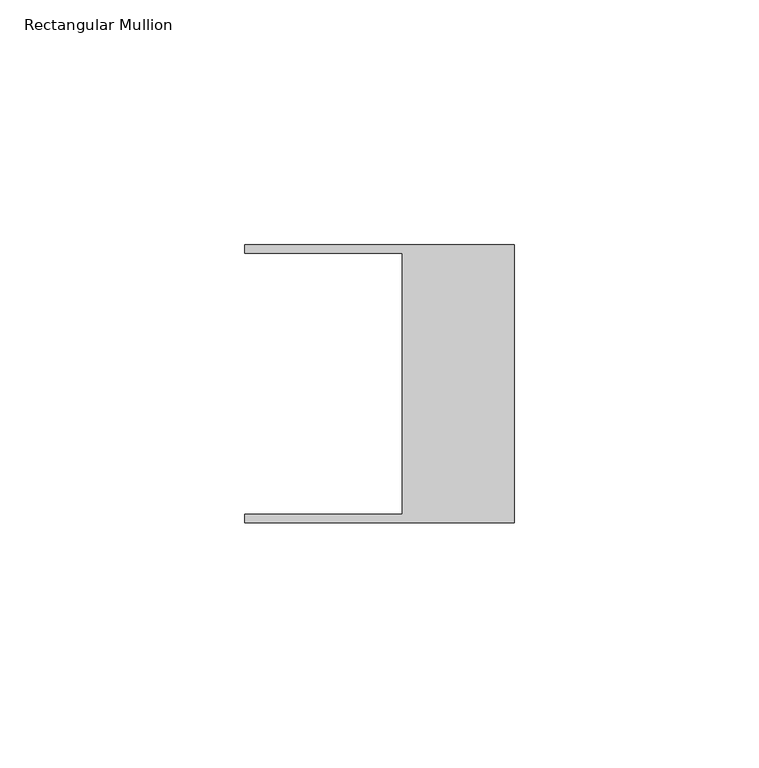
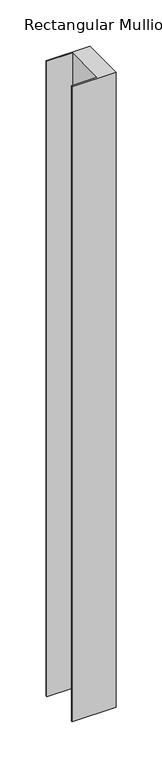
"""IFC4 building model written with IfcOpenShell, lengths in millimetres: member geometry, Rectangular Mullion."""

from ifc_helpers import new_model, si_unit, frame, origin, place, context, project, spatial, polyline, outline, extrude, source, transform, mapped, element, save


def rectangular_mullion_663d61ca(model_context):
    return source(origin(), model_context, "Body", "SweptSolid", [
        extrude(outline(polyline([(-55.118, -26.67), (-22.86, -26.67), (-22.86, 26.67), (-55.118, 26.67), (-55.118, 28.448), (0.0, 28.448), (0.0, -28.448), (-55.118, -28.448), (-55.118, -26.67)])), frame((0.0, 0.0, -841.107537), z_axis=(0.0, 0.0, 1.0), x_axis=(1.0, 0.0, 0.0)), (0.0, 0.0, 1.0), 841.107537),
    ])


if __name__ == "__main__":
    model = new_model("IFC4")
    model_context = context("Model", 3, world=origin())
    ifc_project = project(units=[si_unit("LENGTHUNIT", "METRE", prefix="MILLI")], contexts=[model_context])
    site = spatial("IfcSite", under=ifc_project)
    building = spatial("IfcBuilding", under=site)
    placement = place(None, origin())
    rectangular_mullion_shape = rectangular_mullion_663d61ca(model_context)
    element("IfcMember", 1, ObjectType="Rectangular Mullion", at=placement, inside=building, context=model_context, shape_type="MappedRepresentation", body=[
        mapped(rectangular_mullion_shape, transform((0.0, 0.0, 0.0), x_axis=(1.0, 0.0, 0.0), y_axis=(0.0, 1.0, 0.0), z_axis=(0.0, 0.0, 1.0))),
    ])
    save(model, "model.ifc")
